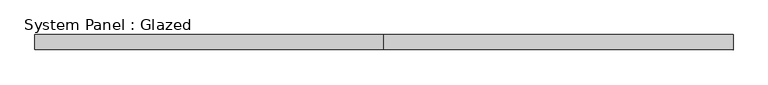
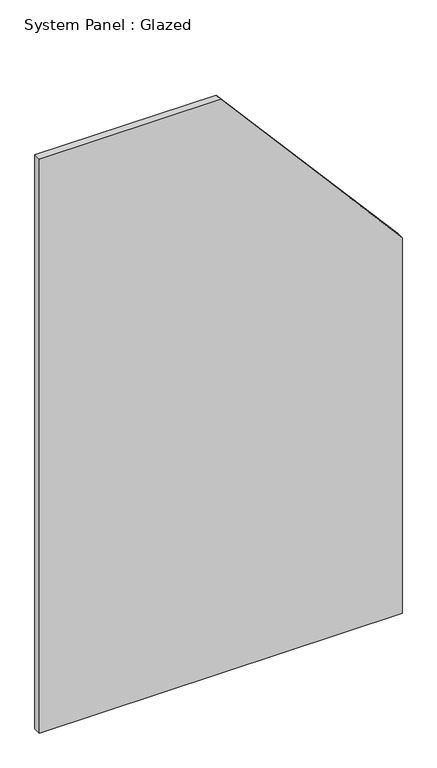
"""IFC4 building model written with IfcOpenShell, lengths in millimetres: plate geometry, System Panel : Glazed."""

from ifc_helpers import new_model, si_unit, frame, origin, place, context, project, spatial, polyline, outline, extrude, source, transform, mapped, element, save


def system_panel_glazed_ccf5fcde(model_context):
    return source(origin(), model_context, "Body", "SweptSolid", [
        extrude(outline(polyline([(0.0, -580.0), (0.0, 580.0), (1269.6116434, 580.0), (1940.0, -0.5733472), (1940.0, -580.0), (0.0, -580.0)])), frame((0.0, 24.5, 0.0), z_axis=(0.0, 1.0, 0.0), x_axis=(0.0, 0.0, 1.0)), (0.0, 0.0, 1.0), 25.0),
    ])


if __name__ == "__main__":
    model = new_model("IFC4")
    model_context = context("Model", 3, world=origin())
    ifc_project = project(units=[si_unit("LENGTHUNIT", "METRE", prefix="MILLI")], contexts=[model_context])
    site = spatial("IfcSite", under=ifc_project)
    building = spatial("IfcBuilding", under=site)
    placement = place(None, origin())
    system_panel_glazed_shape = system_panel_glazed_ccf5fcde(model_context)
    element("IfcPlate", 1, ObjectType="System Panel : Glazed", at=placement, inside=building, context=model_context, shape_type="MappedRepresentation", body=[
        mapped(system_panel_glazed_shape, transform((0.0, 0.0, 0.0), x_axis=(1.0, 0.0, 0.0), y_axis=(0.0, 1.0, 0.0), z_axis=(0.0, 0.0, 1.0))),
    ])
    save(model, "model.ifc")
